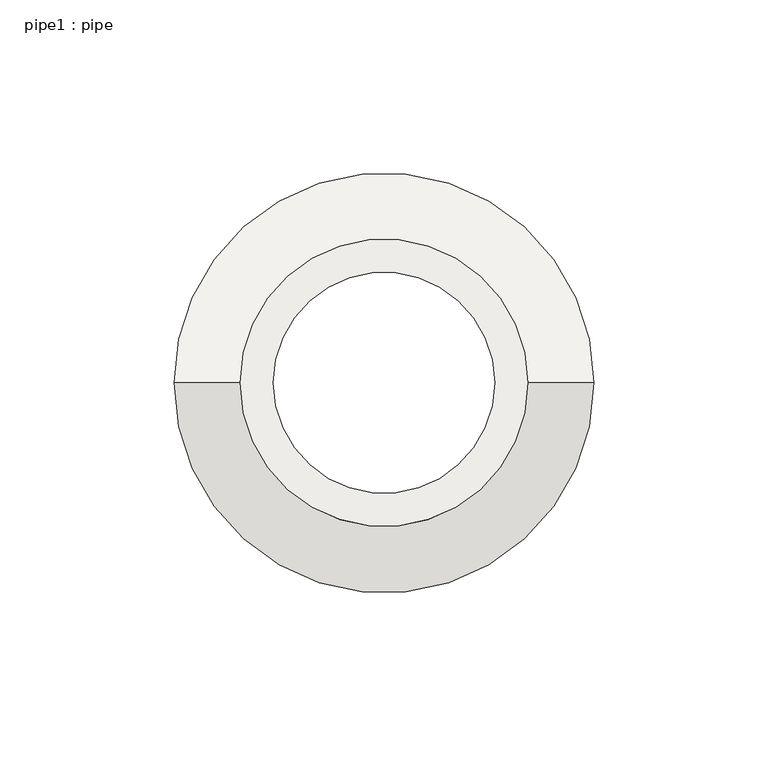
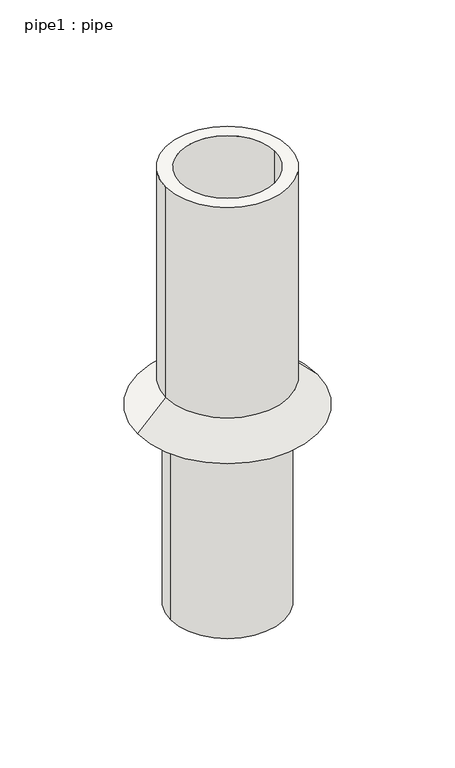
"""IFC4 building model written with IfcOpenShell, lengths in millimetres: roof geometry, pipe1 : pipe."""

from ifc_helpers import new_model, si_unit, point, frame, frame_2d, origin, place, context, project, spatial, polyline, circle_curve, trimmed, segment, composite_curve, outline, extrude, source, transform, mapped, element, save
from ifc_brep_helpers import plane_surface, cylinder_surface, revolved_surface, advanced_brep


def pipe1_pipe_6a5dc847(model_context):
    return source(origin(), model_context, "Body", "SolidModel", [
        advanced_brep(
        [(-1651.07311, -8573.8054312, 6.35), (-1733.62311, -8573.8054312, 6.35), (-1733.62311, -8573.8054312, 25.4), (-1651.07311, -8573.8054312, 25.4), (-1752.67311, -8573.8054312, 6.35), (-1632.02311, -8573.8054312, 6.35)],
        [
            (0, 1, circle_curve(frame((-1692.34811, -8573.8054312, 6.35), z_axis=(0.0, 0.0, -1.0), x_axis=(-1.0, 0.0, 0.0)), 41.275)),
            (1, 2),
            (2, 3, circle_curve(frame((-1692.34811, -8573.8054312, 25.4), z_axis=(0.0, 0.0, 1.0), x_axis=(-1.0, 0.0, 0.0)), 41.275)),
            (3, 0),
            (2, 4),
            (4, 5, circle_curve(frame((-1692.34811, -8573.8054312, 6.35), z_axis=(0.0, 0.0, 1.0), x_axis=(-1.0, 0.0, 0.0)), 60.325)),
            (5, 3),
            (1, 0, circle_curve(frame((-1692.34811, -8573.8054312, 6.35), z_axis=(0.0, 0.0, -1.0), x_axis=(1.0, 0.0, 0.0)), 41.275)),
            (3, 2, circle_curve(frame((-1692.34811, -8573.8054312, 25.4), z_axis=(0.0, 0.0, 1.0), x_axis=(1.0, 0.0, 0.0)), 41.275)),
            (4, 5, circle_curve(frame((-1692.34811, -8573.8054312, 6.35), z_axis=(0.0, 0.0, -1.0), x_axis=(1.0, 0.0, 0.0)), 60.325)),
        ],
        [
            revolved_surface(polyline([(-1733.62311, -8573.8054312, 25.4), (-1733.62311, -8573.8054312, 6.35)]), (-1692.34811, -8573.8054312, 0.0), (0.0, 0.0, 1.0)),
            revolved_surface(polyline([(-1752.67311, -8573.8054312, 6.35), (-1733.62311, -8573.8054312, 25.4)]), (-1692.34811, -8573.8054312, 0.0), (0.0, 0.0, 1.0)),
            revolved_surface(polyline([(-1651.0731099999998, -8573.8054312, 25.4), (-1651.0731099999998, -8573.8054312, 6.35)]), (-1692.34811, -8573.8054312, 0.0), (0.0, 0.0, 1.0)),
            plane_surface(frame((-1692.34811, -8573.8054312, 6.35), z_axis=(0.0, 0.0, -1.0), x_axis=(1.0, 0.0, 0.0))),
            revolved_surface(polyline([(-1632.02311, -8573.8054312, 6.35), (-1651.07311, -8573.8054312, 25.4)]), (-1692.34811, -8573.8054312, 0.0), (0.0, 0.0, 1.0)),
        ],
        [
            (0, [[1, 2, 3, 4]]),
            (1, [[-3, 5, 6, 7]]),
            (2, [[8, -4, 9, -2]]),
            (3, [[10, -6], [-8, -1]]),
            (4, [[-9, -7, -10, -5]]),
        ],
    ),
        advanced_brep(
        [(-1651.07311, -8573.8054312, 174.625), (-1733.62311, -8573.8054312, 174.625), (-1733.62311, -8573.8054312, 6.35), (-1651.07311, -8573.8054312, 6.35), (-1654.24811, -8573.8054312, 6.35), (-1730.44811, -8573.8054312, 6.35), (-1730.44811, -8573.8054312, 171.45), (-1654.24811, -8573.8054312, 171.45), (-1660.59811, -8573.8054312, 123.825), (-1724.09811, -8573.8054312, 123.825), (-1724.09811, -8573.8054312, 174.625), (-1660.59811, -8573.8054312, 174.625), (-1657.42311, -8573.8054312, 171.45), (-1727.27311, -8573.8054312, 171.45), (-1727.27311, -8573.8054312, 123.825), (-1657.42311, -8573.8054312, 123.825)],
        [
            (0, 1, circle_curve(frame((-1692.34811, -8573.8054312, 174.625), z_axis=(0.0, 0.0, -1.0), x_axis=(-1.0, 0.0, 0.0)), 41.275)),
            (1, 2),
            (2, 3, circle_curve(frame((-1692.34811, -8573.8054312, 6.35), z_axis=(0.0, 0.0, 1.0), x_axis=(-1.0, 0.0, 0.0)), 41.275)),
            (3, 0),
            (4, 5, circle_curve(frame((-1692.34811, -8573.8054312, 6.35), z_axis=(0.0, 0.0, -1.0), x_axis=(-1.0, 0.0, 0.0)), 38.1)),
            (5, 6),
            (6, 7, circle_curve(frame((-1692.34811, -8573.8054312, 171.45), z_axis=(0.0, 0.0, 1.0), x_axis=(-1.0, 0.0, 0.0)), 38.1)),
            (7, 4),
            (1, 0, circle_curve(frame((-1692.34811, -8573.8054312, 174.625), z_axis=(0.0, 0.0, -1.0), x_axis=(1.0, 0.0, 0.0)), 41.275)),
            (3, 2, circle_curve(frame((-1692.34811, -8573.8054312, 6.35), z_axis=(0.0, 0.0, 1.0), x_axis=(1.0, 0.0, 0.0)), 41.275)),
            (5, 4, circle_curve(frame((-1692.34811, -8573.8054312, 6.35), z_axis=(0.0, 0.0, -1.0), x_axis=(1.0, 0.0, 0.0)), 38.1)),
            (7, 6, circle_curve(frame((-1692.34811, -8573.8054312, 171.45), z_axis=(0.0, 0.0, 1.0), x_axis=(1.0, 0.0, 0.0)), 38.1)),
            (8, 9, circle_curve(frame((-1692.34811, -8573.8054312, 123.825), z_axis=(0.0, 0.0, -1.0), x_axis=(-1.0, 0.0, 0.0)), 31.75)),
            (9, 10),
            (10, 11, circle_curve(frame((-1692.34811, -8573.8054312, 174.625), z_axis=(0.0, 0.0, 1.0), x_axis=(-1.0, 0.0, 0.0)), 31.75)),
            (11, 8),
            (12, 13, circle_curve(frame((-1692.34811, -8573.8054312, 171.45), z_axis=(0.0, 0.0, -1.0), x_axis=(-1.0, 0.0, 0.0)), 34.925)),
            (13, 14),
            (14, 15, circle_curve(frame((-1692.34811, -8573.8054312, 123.825), z_axis=(0.0, 0.0, 1.0), x_axis=(-1.0, 0.0, 0.0)), 34.925)),
            (15, 12),
            (10, 11, circle_curve(frame((-1692.34811, -8573.8054312, 174.625), z_axis=(0.0, 0.0, -1.0), x_axis=(1.0, 0.0, 0.0)), 31.75)),
            (9, 8, circle_curve(frame((-1692.34811, -8573.8054312, 123.825), z_axis=(0.0, 0.0, -1.0), x_axis=(1.0, 0.0, 0.0)), 31.75)),
            (14, 15, circle_curve(frame((-1692.34811, -8573.8054312, 123.825), z_axis=(0.0, 0.0, -1.0), x_axis=(1.0, 0.0, 0.0)), 34.925)),
            (13, 12, circle_curve(frame((-1692.34811, -8573.8054312, 171.45), z_axis=(0.0, 0.0, -1.0), x_axis=(1.0, 0.0, 0.0)), 34.925)),
        ],
        [
            cylinder_surface(frame((-1692.34811, -8573.8054312, 0.0), z_axis=(0.0, 0.0, 1.0), x_axis=(-1.0, 0.0, 0.0)), 41.275),
            revolved_surface(polyline([(-1730.4481099999998, -8573.8054312, 171.45), (-1730.4481099999998, -8573.8054312, 6.35)]), (-1692.34811, -8573.8054312, 0.0), (0.0, 0.0, 1.0)),
            cylinder_surface(frame((-1692.34811, -8573.8054312, 0.0), z_axis=(0.0, 0.0, 1.0), x_axis=(1.0, 0.0, 0.0)), 41.275),
            revolved_surface(polyline([(-1654.24811, -8573.8054312, 171.45), (-1654.24811, -8573.8054312, 6.35)]), (-1692.34811, -8573.8054312, 0.0), (0.0, 0.0, 1.0)),
            revolved_surface(polyline([(-1724.09811, -8573.8054312, 174.625), (-1724.09811, -8573.8054312, 123.825)]), (-1692.34811, -8573.8054312, 0.0), (0.0, 0.0, 1.0)),
            cylinder_surface(frame((-1692.34811, -8573.8054312, 0.0), z_axis=(0.0, 0.0, 1.0), x_axis=(-1.0, 0.0, 0.0)), 34.925),
            plane_surface(frame((-1692.34811, -8573.8054312, 174.625), z_axis=(0.0, 0.0, 1.0), x_axis=(1.0, 0.0, 0.0))),
            revolved_surface(polyline([(-1660.59811, -8573.8054312, 174.625), (-1660.59811, -8573.8054312, 123.825)]), (-1692.34811, -8573.8054312, 0.0), (0.0, 0.0, 1.0)),
            plane_surface(frame((-1692.34811, -8573.8054312, 123.825), z_axis=(0.0, 0.0, -1.0), x_axis=(1.0, 0.0, 0.0))),
            cylinder_surface(frame((-1692.34811, -8573.8054312, 0.0), z_axis=(0.0, 0.0, 1.0), x_axis=(1.0, 0.0, 0.0)), 34.925),
            plane_surface(frame((-1692.34811, -8573.8054312, 171.45), z_axis=(0.0, 0.0, -1.0), x_axis=(1.0, 0.0, 0.0))),
            plane_surface(frame((-1692.34811, -8573.8054312, 6.35), z_axis=(0.0, 0.0, -1.0), x_axis=(1.0, 0.0, 0.0))),
        ],
        [
            (0, [[1, 2, 3, 4]]),
            (1, [[5, 6, 7, 8]]),
            (2, [[9, -4, 10, -2]]),
            (3, [[11, -8, 12, -6]]),
            (4, [[13, 14, 15, 16]]),
            (5, [[17, 18, 19, 20]]),
            (6, [[-9, -1], [21, -15]]),
            (7, [[22, -16, -21, -14]]),
            (8, [[23, -19], [-22, -13]]),
            (9, [[24, -20, -23, -18]]),
            (10, [[-12, -7], [-24, -17]]),
            (11, [[-10, -3], [-11, -5]]),
        ],
    ),
        extrude(outline(composite_curve([segment(trimmed(circle_curve(frame_2d((-1692.34811, -8573.8054312)), 38.1), [point((-1730.44811, -8573.8054312))], [point((-1654.24811, -8573.8054312))], False, "CARTESIAN"), True, "CONTINUOUS"), segment(trimmed(circle_curve(frame_2d((-1692.34811, -8573.8054312)), 38.1), [point((-1654.24811, -8573.8054312))], [point((-1730.44811, -8573.8054312))], False, "CARTESIAN"), True, "CONTINUOUS")], self_intersect=False), holes=[composite_curve([segment(trimmed(circle_curve(frame_2d((-1692.34811, -8573.8054312)), 34.925), [point((-1657.42311, -8573.8054312))], [point((-1727.27311, -8573.8054312))], True, "CARTESIAN"), True, "CONTINUOUS"), segment(trimmed(circle_curve(frame_2d((-1692.34811, -8573.8054312)), 34.925), [point((-1727.27311, -8573.8054312))], [point((-1657.42311, -8573.8054312))], True, "CARTESIAN"), True, "CONTINUOUS")], self_intersect=False)]), frame((0.0, 0.0, -133.35), z_axis=(0.0, 0.0, 1.0), x_axis=(1.0, 0.0, 0.0)), (0.0, 0.0, 1.0), 304.8),
    ])


if __name__ == "__main__":
    model = new_model("IFC4")
    model_context = context("Model", 3, world=origin())
    ifc_project = project(units=[si_unit("LENGTHUNIT", "METRE", prefix="MILLI")], contexts=[model_context])
    site = spatial("IfcSite", under=ifc_project)
    building = spatial("IfcBuilding", under=site)
    placement = place(None, origin())
    pipe1_pipe_shape = pipe1_pipe_6a5dc847(model_context)
    element("IfcRoof", 1, ObjectType="pipe1 : pipe", at=placement, inside=building, context=model_context, shape_type="MappedRepresentation", body=[
        mapped(pipe1_pipe_shape, transform((0.0, 0.0, 0.0), x_axis=(1.0, 0.0, 0.0), y_axis=(0.0, 1.0, 0.0), z_axis=(0.0, 0.0, 1.0))),
    ])
    save(model, "model.ifc")
